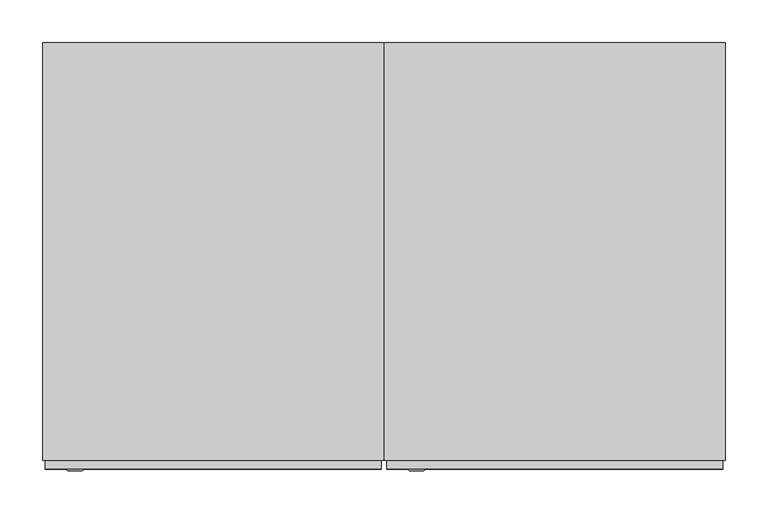
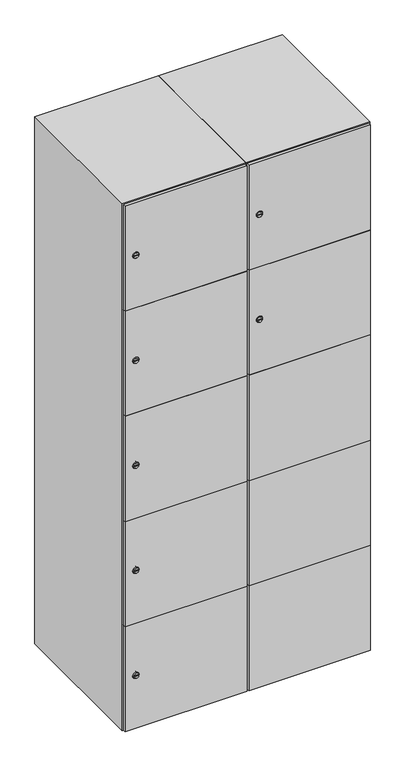
"""IFC4 building model written with IfcOpenShell, lengths in millimetres: furniture geometry."""

from ifc_helpers import new_model, si_unit, point, frame, frame_2d, origin, place, context, project, spatial, polyline, circle_curve, trimmed, segment, composite_curve, outline, extrude, faceted_brep, source, transform, mapped, element, save
from ifc_brep_helpers import plane_surface, revolved_surface, advanced_brep


def furniture_0f34e08c(model_context):
    return source(origin(), model_context, "Body", "SolidModel", [
        advanced_brep(
        [(246.5, -257.2, 1358.8), (229.5, -257.2, 1358.8), (233.0, -257.2, 1357.55), (233.0, -257.2, 1360.05), (243.0, -257.2, 1360.05), (243.0, -257.2, 1357.55), (248.5, -255.0, 1358.8), (227.5, -255.0, 1358.8), (233.0, -255.0, 1360.05), (233.0, -255.0, 1357.55), (243.0, -255.0, 1357.55), (243.0, -255.0, 1360.05)],
        [
            (0, 1, circle_curve(frame((238.0, -257.2, 1358.8), z_axis=(0.0, -1.0, 0.0), x_axis=(1.0, 0.0, 0.0)), 8.5)),
            (1, 0, circle_curve(frame((238.0, -257.2, 1358.8), z_axis=(0.0, -1.0, 0.0), x_axis=(-1.0, 0.0, 0.0)), 8.5)),
            (2, 3),
            (3, 4),
            (4, 5),
            (5, 2),
            (6, 7, circle_curve(frame((238.0, -255.0, 1358.8), z_axis=(0.0, 1.0, 0.0), x_axis=(-1.0, 0.0, 0.0)), 10.5)),
            (7, 6, circle_curve(frame((238.0, -255.0, 1358.8), z_axis=(0.0, 1.0, 0.0), x_axis=(1.0, 0.0, 0.0)), 10.5)),
            (8, 9),
            (9, 10),
            (10, 11),
            (11, 8),
            (0, 6),
            (7, 1),
            (8, 3),
            (2, 9),
            (11, 4),
            (10, 5),
        ],
        [
            plane_surface(frame((238.0, -257.2, 1358.8), z_axis=(0.0, -1.0, 0.0), x_axis=(0.0, 0.0, 1.0))),
            plane_surface(frame((238.0, -255.0, 1358.8), z_axis=(0.0, 1.0, 0.0), x_axis=(0.0, 0.0, 1.0))),
            revolved_surface(polyline([(246.5, -257.2, 1358.8), (248.5, -255.0, 1358.8)]), (238.0, -266.55, 1358.8), (0.0, 1.0, 0.0)),
            revolved_surface(polyline([(229.5, -257.2, 1358.8), (227.5, -255.0, 1358.8)]), (238.0, -266.55, 1358.8), (0.0, 1.0, 0.0)),
            plane_surface(frame((233.0, -255.0, 1357.55), z_axis=(1.0, 0.0, 0.0), x_axis=(0.0, -1.0, 0.0))),
            plane_surface(frame((233.0, -255.0, 1360.05), z_axis=(0.0, 0.0, -1.0), x_axis=(0.0, -1.0, 0.0))),
            plane_surface(frame((243.0, -255.0, 1360.05), z_axis=(-1.0, 0.0, 0.0), x_axis=(0.0, -1.0, 0.0))),
            plane_surface(frame((243.0, -255.0, 1357.55), z_axis=(0.0, 0.0, 1.0), x_axis=(0.0, -1.0, 0.0))),
        ],
        [
            (0, [[1, 2], [3, 4, 5, 6]]),
            (1, [[7, 8], [9, 10, 11, 12]]),
            (2, [[-1, 13, -8, 14]]),
            (3, [[-2, -14, -7, -13]]),
            (4, [[15, -3, 16, -9]]),
            (5, [[-15, -12, 17, -4]]),
            (6, [[-17, -11, 18, -5]]),
            (7, [[-16, -6, -18, -10]]),
        ],
    ),
        extrude(outline(composite_curve([segment(trimmed(circle_curve(frame_2d((1717.6, 211.2010534)), 7.0), [point((1724.6, 211.2010534))], [point((1710.6, 211.2010534))], False, "CARTESIAN"), True, "CONTINUOUS"), segment(polyline([(1710.6, 211.2010534), (1710.6, 239.2010534)]), True, "CONTINUOUS"), segment(trimmed(circle_curve(frame_2d((1717.6, 239.2010534)), 7.0), [point((1710.6, 239.2010534))], [point((1724.6, 239.2010534))], False, "CARTESIAN"), True, "CONTINUOUS"), segment(polyline([(1724.6, 239.2010534), (1724.6, 211.2010534)]), True, "CONTINUOUS")], self_intersect=False)), frame((0.0, -245.0, 0.0), z_axis=(0.0, 1.0, 0.0), x_axis=(0.0, 0.0, 1.0)), (0.0, 0.0, 1.0), 2.0),
        advanced_brep(
        [(246.5, -257.2, 1717.6), (229.5, -257.2, 1717.6), (233.0, -257.2, 1716.35), (233.0, -257.2, 1718.85), (243.0, -257.2, 1718.85), (243.0, -257.2, 1716.35), (248.5, -255.0, 1717.6), (227.5, -255.0, 1717.6), (233.0, -255.0, 1718.85), (233.0, -255.0, 1716.35), (243.0, -255.0, 1716.35), (243.0, -255.0, 1718.85)],
        [
            (0, 1, circle_curve(frame((238.0, -257.2, 1717.6), z_axis=(0.0, -1.0, 0.0), x_axis=(1.0, 0.0, 0.0)), 8.5)),
            (1, 0, circle_curve(frame((238.0, -257.2, 1717.6), z_axis=(0.0, -1.0, 0.0), x_axis=(-1.0, 0.0, 0.0)), 8.5)),
            (2, 3),
            (3, 4),
            (4, 5),
            (5, 2),
            (6, 7, circle_curve(frame((238.0, -255.0, 1717.6), z_axis=(0.0, 1.0, 0.0), x_axis=(-1.0, 0.0, 0.0)), 10.5)),
            (7, 6, circle_curve(frame((238.0, -255.0, 1717.6), z_axis=(0.0, 1.0, 0.0), x_axis=(1.0, 0.0, 0.0)), 10.5)),
            (8, 9),
            (9, 10),
            (10, 11),
            (11, 8),
            (0, 6),
            (7, 1),
            (8, 3),
            (2, 9),
            (11, 4),
            (10, 5),
        ],
        [
            plane_surface(frame((238.0, -257.2, 1717.6), z_axis=(0.0, -1.0, 0.0), x_axis=(0.0, 0.0, 1.0))),
            plane_surface(frame((238.0, -255.0, 1717.6), z_axis=(0.0, 1.0, 0.0), x_axis=(0.0, 0.0, 1.0))),
            revolved_surface(polyline([(246.5, -257.2, 1717.6), (248.5, -255.0, 1717.6)]), (238.0, -266.55, 1717.6), (0.0, 1.0, 0.0)),
            revolved_surface(polyline([(229.5, -257.2, 1717.6), (227.5, -255.0, 1717.6)]), (238.0, -266.55, 1717.6), (0.0, 1.0, 0.0)),
            plane_surface(frame((233.0, -255.0, 1716.35), z_axis=(1.0, 0.0, 0.0), x_axis=(0.0, -1.0, 0.0))),
            plane_surface(frame((233.0, -255.0, 1718.85), z_axis=(0.0, 0.0, -1.0), x_axis=(0.0, -1.0, 0.0))),
            plane_surface(frame((243.0, -255.0, 1718.85), z_axis=(-1.0, 0.0, 0.0), x_axis=(0.0, -1.0, 0.0))),
            plane_surface(frame((243.0, -255.0, 1716.35), z_axis=(0.0, 0.0, 1.0), x_axis=(0.0, -1.0, 0.0))),
        ],
        [
            (0, [[1, 2], [3, 4, 5, 6]]),
            (1, [[7, 8], [9, 10, 11, 12]]),
            (2, [[-1, 13, -8, 14]]),
            (3, [[-2, -14, -7, -13]]),
            (4, [[15, -3, 16, -9]]),
            (5, [[-15, -12, 17, -4]]),
            (6, [[-17, -11, 18, -5]]),
            (7, [[-16, -6, -18, -10]]),
        ],
    ),
        extrude(outline(polyline([(597.0, -245.0), (597.0, -255.0), (203.0, -255.0), (203.0, -245.0), (597.0, -245.0)])), frame((0.0, 0.0, 820.1), z_axis=(0.0, 0.0, 1.0), x_axis=(1.0, 0.0, 0.0)), (0.0, 0.0, 1.0), 359.8),
        extrude(outline(polyline([(597.0, -245.0), (597.0, -255.0), (203.0, -255.0), (203.0, -245.0), (597.0, -245.0)])), frame((0.0, 0.0, 461.3), z_axis=(0.0, 0.0, 1.0), x_axis=(1.0, 0.0, 0.0)), (0.0, 0.0, 1.0), 359.8),
        extrude(outline(polyline([(597.0, -245.0), (597.0, -255.0), (203.0, -255.0), (203.0, -245.0), (597.0, -245.0)])), frame((0.0, 0.0, 1178.9), z_axis=(0.0, 0.0, 1.0), x_axis=(1.0, 0.0, 0.0)), (0.0, 0.0, 1.0), 358.8),
        extrude(outline(polyline([(203.0, -255.0), (203.0, -245.0), (597.0, -245.0), (597.0, -255.0), (203.0, -255.0)])), frame((0.0, 0.0, 1538.7), z_axis=(0.0, 0.0, 1.0), x_axis=(1.0, 0.0, 0.0)), (0.0, 0.0, 1.0), 358.3),
        extrude(outline(polyline([(597.0, -245.0), (597.0, -255.0), (203.0, -255.0), (203.0, -245.0), (597.0, -245.0)])), frame((0.0, 0.0, 103.0), z_axis=(0.0, 0.0, 1.0), x_axis=(1.0, 0.0, 0.0)), (0.0, 0.0, 1.0), 359.3),
        extrude(outline(polyline([(590.0, 241.0), (590.0, -235.0), (210.0, -235.0), (210.0, 241.0), (590.0, 241.0)])), frame((0.0, 0.0, 1529.0), z_axis=(0.0, 0.0, 1.0), x_axis=(1.0, 0.0, 0.0)), (0.0, 0.0, 1.0), 10.0),
        extrude(outline(polyline([(590.0, 241.0), (590.0, -235.0), (210.0, -235.0), (210.0, 241.0), (590.0, 241.0)])), frame((0.0, 0.0, 1173.0), z_axis=(0.0, 0.0, 1.0), x_axis=(1.0, 0.0, 0.0)), (0.0, 0.0, 1.0), 10.0),
        extrude(outline(polyline([(590.0, 241.0), (590.0, -235.0), (210.0, -235.0), (210.0, 241.0), (590.0, 241.0)])), frame((0.0, 0.0, 817.0), z_axis=(0.0, 0.0, 1.0), x_axis=(1.0, 0.0, 0.0)), (0.0, 0.0, 1.0), 10.0),
        extrude(outline(polyline([(210.0, 241.0), (590.0, 241.0), (590.0, -235.0), (210.0, -235.0), (210.0, 241.0)])), frame((0.0, 0.0, 461.0), z_axis=(0.0, 0.0, 1.0), x_axis=(1.0, 0.0, 0.0)), (0.0, 0.0, 1.0), 10.0),
        faceted_brep([(600.0, -245.0, 100.0), (600.0, -245.0, 1900.0), (200.0, -245.0, 1900.0), (200.0, -245.0, 100.0), (590.0, -245.0, 1890.0), (590.0, -245.0, 110.0), (210.0, -245.0, 110.0), (210.0, -245.0, 1890.0), (600.0, 245.0, 100.0), (200.0, 245.0, 100.0), (600.0, 245.0, 1900.0), (200.0, 245.0, 1900.0), (590.0, 241.0, 1890.0), (590.0, 241.0, 110.0), (200.0, 245.0, 1890.0), (210.0, 241.0, 1890.0), (210.0, 241.0, 110.0)], [[[0, 1, 2, 3], [4, 5, 6, 7]], [[8, 0, 3, 9]], [[1, 0, 8, 10]], [[1, 10, 11, 2]], [[4, 12, 13, 5]], [[9, 3, 2, 11, 14]], [[10, 8, 9, 14, 11]], [[12, 15, 16, 13]], [[15, 7, 6, 16]], [[4, 7, 15, 12]], [[6, 5, 13, 16]]]),
        extrude(outline(composite_curve([segment(trimmed(circle_curve(frame_2d((282.4, -188.7989466)), 7.0), [point((289.4, -188.7989466))], [point((275.4, -188.7989466))], False, "CARTESIAN"), True, "CONTINUOUS"), segment(polyline([(275.4, -188.7989466), (275.4, -160.7989466)]), True, "CONTINUOUS"), segment(trimmed(circle_curve(frame_2d((282.4, -160.7989466)), 7.0), [point((275.4, -160.7989466))], [point((289.4, -160.7989466))], False, "CARTESIAN"), True, "CONTINUOUS"), segment(polyline([(289.4, -160.7989466), (289.4, -188.7989466)]), True, "CONTINUOUS")], self_intersect=False)), frame((0.0, -245.0, 0.0), z_axis=(0.0, 1.0, 0.0), x_axis=(0.0, 0.0, 1.0)), (0.0, 0.0, 1.0), 2.0),
        advanced_brep(
        [(-153.5, -257.2, 282.4), (-170.5, -257.2, 282.4), (-167.0, -257.2, 281.15), (-167.0, -257.2, 283.65), (-157.0, -257.2, 283.65), (-157.0, -257.2, 281.15), (-151.5, -255.0, 282.4), (-172.5, -255.0, 282.4), (-167.0, -255.0, 283.65), (-167.0, -255.0, 281.15), (-157.0, -255.0, 281.15), (-157.0, -255.0, 283.65)],
        [
            (0, 1, circle_curve(frame((-162.0, -257.2, 282.4), z_axis=(0.0, -1.0, 0.0), x_axis=(1.0, 0.0, 0.0)), 8.5)),
            (1, 0, circle_curve(frame((-162.0, -257.2, 282.4), z_axis=(0.0, -1.0, 0.0), x_axis=(-1.0, 0.0, 0.0)), 8.5)),
            (2, 3),
            (3, 4),
            (4, 5),
            (5, 2),
            (6, 7, circle_curve(frame((-162.0, -255.0, 282.4), z_axis=(0.0, 1.0, 0.0), x_axis=(-1.0, 0.0, 0.0)), 10.5)),
            (7, 6, circle_curve(frame((-162.0, -255.0, 282.4), z_axis=(0.0, 1.0, 0.0), x_axis=(1.0, 0.0, 0.0)), 10.5)),
            (8, 9),
            (9, 10),
            (10, 11),
            (11, 8),
            (0, 6),
            (7, 1),
            (8, 3),
            (2, 9),
            (11, 4),
            (10, 5),
        ],
        [
            plane_surface(frame((-162.0, -257.2, 282.4), z_axis=(0.0, -1.0, 0.0), x_axis=(0.0, 0.0, 1.0))),
            plane_surface(frame((-162.0, -255.0, 282.4), z_axis=(0.0, 1.0, 0.0), x_axis=(0.0, 0.0, 1.0))),
            revolved_surface(polyline([(-153.5, -257.2, 282.4), (-151.5, -255.0, 282.4)]), (-162.0, -266.55, 282.4), (0.0, 1.0, 0.0)),
            revolved_surface(polyline([(-170.5, -257.2, 282.4), (-172.5, -255.0, 282.4)]), (-162.0, -266.55, 282.4), (0.0, 1.0, 0.0)),
            plane_surface(frame((-167.0, -255.0, 281.15), z_axis=(1.0, 0.0, 0.0), x_axis=(0.0, -1.0, 0.0))),
            plane_surface(frame((-167.0, -255.0, 283.65), z_axis=(0.0, 0.0, -1.0), x_axis=(0.0, -1.0, 0.0))),
            plane_surface(frame((-157.0, -255.0, 283.65), z_axis=(-1.0, 0.0, 0.0), x_axis=(0.0, -1.0, 0.0))),
            plane_surface(frame((-157.0, -255.0, 281.15), z_axis=(0.0, 0.0, 1.0), x_axis=(0.0, -1.0, 0.0))),
        ],
        [
            (0, [[1, 2], [3, 4, 5, 6]]),
            (1, [[7, 8], [9, 10, 11, 12]]),
            (2, [[-1, 13, -8, 14]]),
            (3, [[-2, -14, -7, -13]]),
            (4, [[15, -3, 16, -9]]),
            (5, [[-15, -12, 17, -4]]),
            (6, [[-17, -11, 18, -5]]),
            (7, [[-16, -6, -18, -10]]),
        ],
    ),
        extrude(outline(composite_curve([segment(trimmed(circle_curve(frame_2d((641.2, -188.7989466)), 7.0), [point((648.2, -188.7989466))], [point((634.2, -188.7989466))], False, "CARTESIAN"), True, "CONTINUOUS"), segment(polyline([(634.2, -188.7989466), (634.2, -160.7989466)]), True, "CONTINUOUS"), segment(trimmed(circle_curve(frame_2d((641.2, -160.7989466)), 7.0), [point((634.2, -160.7989466))], [point((648.2, -160.7989466))], False, "CARTESIAN"), True, "CONTINUOUS"), segment(polyline([(648.2, -160.7989466), (648.2, -188.7989466)]), True, "CONTINUOUS")], self_intersect=False)), frame((0.0, -245.0, 0.0), z_axis=(0.0, 1.0, 0.0), x_axis=(0.0, 0.0, 1.0)), (0.0, 0.0, 1.0), 2.0),
        advanced_brep(
        [(-153.5, -257.2, 641.2), (-170.5, -257.2, 641.2), (-167.0, -257.2, 639.95), (-167.0, -257.2, 642.45), (-157.0, -257.2, 642.45), (-157.0, -257.2, 639.95), (-151.5, -255.0, 641.2), (-172.5, -255.0, 641.2), (-167.0, -255.0, 642.45), (-167.0, -255.0, 639.95), (-157.0, -255.0, 639.95), (-157.0, -255.0, 642.45)],
        [
            (0, 1, circle_curve(frame((-162.0, -257.2, 641.2), z_axis=(0.0, -1.0, 0.0), x_axis=(1.0, 0.0, 0.0)), 8.5)),
            (1, 0, circle_curve(frame((-162.0, -257.2, 641.2), z_axis=(0.0, -1.0, 0.0), x_axis=(-1.0, 0.0, 0.0)), 8.5)),
            (2, 3),
            (3, 4),
            (4, 5),
            (5, 2),
            (6, 7, circle_curve(frame((-162.0, -255.0, 641.2), z_axis=(0.0, 1.0, 0.0), x_axis=(-1.0, 0.0, 0.0)), 10.5)),
            (7, 6, circle_curve(frame((-162.0, -255.0, 641.2), z_axis=(0.0, 1.0, 0.0), x_axis=(1.0, 0.0, 0.0)), 10.5)),
            (8, 9),
            (9, 10),
            (10, 11),
            (11, 8),
            (0, 6),
            (7, 1),
            (8, 3),
            (2, 9),
            (11, 4),
            (10, 5),
        ],
        [
            plane_surface(frame((-162.0, -257.2, 641.2), z_axis=(0.0, -1.0, 0.0), x_axis=(0.0, 0.0, 1.0))),
            plane_surface(frame((-162.0, -255.0, 641.2), z_axis=(0.0, 1.0, 0.0), x_axis=(0.0, 0.0, 1.0))),
            revolved_surface(polyline([(-153.5, -257.2, 641.2), (-151.5, -255.0, 641.2)]), (-162.0, -266.55, 641.2), (0.0, 1.0, 0.0)),
            revolved_surface(polyline([(-170.5, -257.2, 641.2), (-172.5, -255.0, 641.2)]), (-162.0, -266.55, 641.2), (0.0, 1.0, 0.0)),
            plane_surface(frame((-167.0, -255.0, 639.95), z_axis=(1.0, 0.0, 0.0), x_axis=(0.0, -1.0, 0.0))),
            plane_surface(frame((-167.0, -255.0, 642.45), z_axis=(0.0, 0.0, -1.0), x_axis=(0.0, -1.0, 0.0))),
            plane_surface(frame((-157.0, -255.0, 642.45), z_axis=(-1.0, 0.0, 0.0), x_axis=(0.0, -1.0, 0.0))),
            plane_surface(frame((-157.0, -255.0, 639.95), z_axis=(0.0, 0.0, 1.0), x_axis=(0.0, -1.0, 0.0))),
        ],
        [
            (0, [[1, 2], [3, 4, 5, 6]]),
            (1, [[7, 8], [9, 10, 11, 12]]),
            (2, [[-1, 13, -8, 14]]),
            (3, [[-2, -14, -7, -13]]),
            (4, [[15, -3, 16, -9]]),
            (5, [[-15, -12, 17, -4]]),
            (6, [[-17, -11, 18, -5]]),
            (7, [[-16, -6, -18, -10]]),
        ],
    ),
        extrude(outline(composite_curve([segment(trimmed(circle_curve(frame_2d((1000.0, -188.7989466)), 7.0), [point((1007.0, -188.7989466))], [point((993.0, -188.7989466))], False, "CARTESIAN"), True, "CONTINUOUS"), segment(polyline([(993.0, -188.7989466), (993.0, -160.7989466)]), True, "CONTINUOUS"), segment(trimmed(circle_curve(frame_2d((1000.0, -160.7989466)), 7.0), [point((993.0, -160.7989466))], [point((1007.0, -160.7989466))], False, "CARTESIAN"), True, "CONTINUOUS"), segment(polyline([(1007.0, -160.7989466), (1007.0, -188.7989466)]), True, "CONTINUOUS")], self_intersect=False)), frame((0.0, -245.0, 0.0), z_axis=(0.0, 1.0, 0.0), x_axis=(0.0, 0.0, 1.0)), (0.0, 0.0, 1.0), 2.0),
        advanced_brep(
        [(-153.5, -257.2, 1000.0), (-170.5, -257.2, 1000.0), (-167.0, -257.2, 998.75), (-167.0, -257.2, 1001.25), (-157.0, -257.2, 1001.25), (-157.0, -257.2, 998.75), (-151.5, -255.0, 1000.0), (-172.5, -255.0, 1000.0), (-167.0, -255.0, 1001.25), (-167.0, -255.0, 998.75), (-157.0, -255.0, 998.75), (-157.0, -255.0, 1001.25)],
        [
            (0, 1, circle_curve(frame((-162.0, -257.2, 1000.0), z_axis=(0.0, -1.0, 0.0), x_axis=(1.0, 0.0, 0.0)), 8.5)),
            (1, 0, circle_curve(frame((-162.0, -257.2, 1000.0), z_axis=(0.0, -1.0, 0.0), x_axis=(-1.0, 0.0, 0.0)), 8.5)),
            (2, 3),
            (3, 4),
            (4, 5),
            (5, 2),
            (6, 7, circle_curve(frame((-162.0, -255.0, 1000.0), z_axis=(0.0, 1.0, 0.0), x_axis=(-1.0, 0.0, 0.0)), 10.5)),
            (7, 6, circle_curve(frame((-162.0, -255.0, 1000.0), z_axis=(0.0, 1.0, 0.0), x_axis=(1.0, 0.0, 0.0)), 10.5)),
            (8, 9),
            (9, 10),
            (10, 11),
            (11, 8),
            (0, 6),
            (7, 1),
            (8, 3),
            (2, 9),
            (11, 4),
            (10, 5),
        ],
        [
            plane_surface(frame((-162.0, -257.2, 1000.0), z_axis=(0.0, -1.0, 0.0), x_axis=(0.0, 0.0, 1.0))),
            plane_surface(frame((-162.0, -255.0, 1000.0), z_axis=(0.0, 1.0, 0.0), x_axis=(0.0, 0.0, 1.0))),
            revolved_surface(polyline([(-153.5, -257.2, 1000.0), (-151.5, -255.0, 1000.0)]), (-162.0, -266.55, 1000.0), (0.0, 1.0, 0.0)),
            revolved_surface(polyline([(-170.5, -257.2, 1000.0), (-172.5, -255.0, 1000.0)]), (-162.0, -266.55, 1000.0), (0.0, 1.0, 0.0)),
            plane_surface(frame((-167.0, -255.0, 998.75), z_axis=(1.0, 0.0, 0.0), x_axis=(0.0, -1.0, 0.0))),
            plane_surface(frame((-167.0, -255.0, 1001.25), z_axis=(0.0, 0.0, -1.0), x_axis=(0.0, -1.0, 0.0))),
            plane_surface(frame((-157.0, -255.0, 1001.25), z_axis=(-1.0, 0.0, 0.0), x_axis=(0.0, -1.0, 0.0))),
            plane_surface(frame((-157.0, -255.0, 998.75), z_axis=(0.0, 0.0, 1.0), x_axis=(0.0, -1.0, 0.0))),
        ],
        [
            (0, [[1, 2], [3, 4, 5, 6]]),
            (1, [[7, 8], [9, 10, 11, 12]]),
            (2, [[-1, 13, -8, 14]]),
            (3, [[-2, -14, -7, -13]]),
            (4, [[15, -3, 16, -9]]),
            (5, [[-15, -12, 17, -4]]),
            (6, [[-17, -11, 18, -5]]),
            (7, [[-16, -6, -18, -10]]),
        ],
    ),
        extrude(outline(composite_curve([segment(trimmed(circle_curve(frame_2d((1358.8, -188.7989466)), 7.0), [point((1365.8, -188.7989466))], [point((1351.8, -188.7989466))], False, "CARTESIAN"), True, "CONTINUOUS"), segment(polyline([(1351.8, -188.7989466), (1351.8, -160.7989466)]), True, "CONTINUOUS"), segment(trimmed(circle_curve(frame_2d((1358.8, -160.7989466)), 7.0), [point((1351.8, -160.7989466))], [point((1365.8, -160.7989466))], False, "CARTESIAN"), True, "CONTINUOUS"), segment(polyline([(1365.8, -160.7989466), (1365.8, -188.7989466)]), True, "CONTINUOUS")], self_intersect=False)), frame((0.0, -245.0, 0.0), z_axis=(0.0, 1.0, 0.0), x_axis=(0.0, 0.0, 1.0)), (0.0, 0.0, 1.0), 2.0),
        advanced_brep(
        [(-153.5, -257.2, 1358.8), (-170.5, -257.2, 1358.8), (-167.0, -257.2, 1357.55), (-167.0, -257.2, 1360.05), (-157.0, -257.2, 1360.05), (-157.0, -257.2, 1357.55), (-151.5, -255.0, 1358.8), (-172.5, -255.0, 1358.8), (-167.0, -255.0, 1360.05), (-167.0, -255.0, 1357.55), (-157.0, -255.0, 1357.55), (-157.0, -255.0, 1360.05)],
        [
            (0, 1, circle_curve(frame((-162.0, -257.2, 1358.8), z_axis=(0.0, -1.0, 0.0), x_axis=(1.0, 0.0, 0.0)), 8.5)),
            (1, 0, circle_curve(frame((-162.0, -257.2, 1358.8), z_axis=(0.0, -1.0, 0.0), x_axis=(-1.0, 0.0, 0.0)), 8.5)),
            (2, 3),
            (3, 4),
            (4, 5),
            (5, 2),
            (6, 7, circle_curve(frame((-162.0, -255.0, 1358.8), z_axis=(0.0, 1.0, 0.0), x_axis=(-1.0, 0.0, 0.0)), 10.5)),
            (7, 6, circle_curve(frame((-162.0, -255.0, 1358.8), z_axis=(0.0, 1.0, 0.0), x_axis=(1.0, 0.0, 0.0)), 10.5)),
            (8, 9),
            (9, 10),
            (10, 11),
            (11, 8),
            (0, 6),
            (7, 1),
            (8, 3),
            (2, 9),
            (11, 4),
            (10, 5),
        ],
        [
            plane_surface(frame((-162.0, -257.2, 1358.8), z_axis=(0.0, -1.0, 0.0), x_axis=(0.0, 0.0, 1.0))),
            plane_surface(frame((-162.0, -255.0, 1358.8), z_axis=(0.0, 1.0, 0.0), x_axis=(0.0, 0.0, 1.0))),
            revolved_surface(polyline([(-153.5, -257.2, 1358.8), (-151.5, -255.0, 1358.8)]), (-162.0, -266.55, 1358.8), (0.0, 1.0, 0.0)),
            revolved_surface(polyline([(-170.5, -257.2, 1358.8), (-172.5, -255.0, 1358.8)]), (-162.0, -266.55, 1358.8), (0.0, 1.0, 0.0)),
            plane_surface(frame((-167.0, -255.0, 1357.55), z_axis=(1.0, 0.0, 0.0), x_axis=(0.0, -1.0, 0.0))),
            plane_surface(frame((-167.0, -255.0, 1360.05), z_axis=(0.0, 0.0, -1.0), x_axis=(0.0, -1.0, 0.0))),
            plane_surface(frame((-157.0, -255.0, 1360.05), z_axis=(-1.0, 0.0, 0.0), x_axis=(0.0, -1.0, 0.0))),
            plane_surface(frame((-157.0, -255.0, 1357.55), z_axis=(0.0, 0.0, 1.0), x_axis=(0.0, -1.0, 0.0))),
        ],
        [
            (0, [[1, 2], [3, 4, 5, 6]]),
            (1, [[7, 8], [9, 10, 11, 12]]),
            (2, [[-1, 13, -8, 14]]),
            (3, [[-2, -14, -7, -13]]),
            (4, [[15, -3, 16, -9]]),
            (5, [[-15, -12, 17, -4]]),
            (6, [[-17, -11, 18, -5]]),
            (7, [[-16, -6, -18, -10]]),
        ],
    ),
        extrude(outline(composite_curve([segment(trimmed(circle_curve(frame_2d((1717.6, -188.7989466)), 7.0), [point((1724.6, -188.7989466))], [point((1710.6, -188.7989466))], False, "CARTESIAN"), True, "CONTINUOUS"), segment(polyline([(1710.6, -188.7989466), (1710.6, -160.7989466)]), True, "CONTINUOUS"), segment(trimmed(circle_curve(frame_2d((1717.6, -160.7989466)), 7.0), [point((1710.6, -160.7989466))], [point((1724.6, -160.7989466))], False, "CARTESIAN"), True, "CONTINUOUS"), segment(polyline([(1724.6, -160.7989466), (1724.6, -188.7989466)]), True, "CONTINUOUS")], self_intersect=False)), frame((0.0, -245.0, 0.0), z_axis=(0.0, 1.0, 0.0), x_axis=(0.0, 0.0, 1.0)), (0.0, 0.0, 1.0), 2.0),
        advanced_brep(
        [(-153.5, -257.2, 1717.6), (-170.5, -257.2, 1717.6), (-167.0, -257.2, 1716.35), (-167.0, -257.2, 1718.85), (-157.0, -257.2, 1718.85), (-157.0, -257.2, 1716.35), (-151.5, -255.0, 1717.6), (-172.5, -255.0, 1717.6), (-167.0, -255.0, 1718.85), (-167.0, -255.0, 1716.35), (-157.0, -255.0, 1716.35), (-157.0, -255.0, 1718.85)],
        [
            (0, 1, circle_curve(frame((-162.0, -257.2, 1717.6), z_axis=(0.0, -1.0, 0.0), x_axis=(1.0, 0.0, 0.0)), 8.5)),
            (1, 0, circle_curve(frame((-162.0, -257.2, 1717.6), z_axis=(0.0, -1.0, 0.0), x_axis=(-1.0, 0.0, 0.0)), 8.5)),
            (2, 3),
            (3, 4),
            (4, 5),
            (5, 2),
            (6, 7, circle_curve(frame((-162.0, -255.0, 1717.6), z_axis=(0.0, 1.0, 0.0), x_axis=(-1.0, 0.0, 0.0)), 10.5)),
            (7, 6, circle_curve(frame((-162.0, -255.0, 1717.6), z_axis=(0.0, 1.0, 0.0), x_axis=(1.0, 0.0, 0.0)), 10.5)),
            (8, 9),
            (9, 10),
            (10, 11),
            (11, 8),
            (0, 6),
            (7, 1),
            (8, 3),
            (2, 9),
            (11, 4),
            (10, 5),
        ],
        [
            plane_surface(frame((-162.0, -257.2, 1717.6), z_axis=(0.0, -1.0, 0.0), x_axis=(0.0, 0.0, 1.0))),
            plane_surface(frame((-162.0, -255.0, 1717.6), z_axis=(0.0, 1.0, 0.0), x_axis=(0.0, 0.0, 1.0))),
            revolved_surface(polyline([(-153.5, -257.2, 1717.6), (-151.5, -255.0, 1717.6)]), (-162.0, -266.55, 1717.6), (0.0, 1.0, 0.0)),
            revolved_surface(polyline([(-170.5, -257.2, 1717.6), (-172.5, -255.0, 1717.6)]), (-162.0, -266.55, 1717.6), (0.0, 1.0, 0.0)),
            plane_surface(frame((-167.0, -255.0, 1716.35), z_axis=(1.0, 0.0, 0.0), x_axis=(0.0, -1.0, 0.0))),
            plane_surface(frame((-167.0, -255.0, 1718.85), z_axis=(0.0, 0.0, -1.0), x_axis=(0.0, -1.0, 0.0))),
            plane_surface(frame((-157.0, -255.0, 1718.85), z_axis=(-1.0, 0.0, 0.0), x_axis=(0.0, -1.0, 0.0))),
            plane_surface(frame((-157.0, -255.0, 1716.35), z_axis=(0.0, 0.0, 1.0), x_axis=(0.0, -1.0, 0.0))),
        ],
        [
            (0, [[1, 2], [3, 4, 5, 6]]),
            (1, [[7, 8], [9, 10, 11, 12]]),
            (2, [[-1, 13, -8, 14]]),
            (3, [[-2, -14, -7, -13]]),
            (4, [[15, -3, 16, -9]]),
            (5, [[-15, -12, 17, -4]]),
            (6, [[-17, -11, 18, -5]]),
            (7, [[-16, -6, -18, -10]]),
        ],
    ),
        extrude(outline(polyline([(197.0, -245.0), (197.0, -255.0), (-197.0, -255.0), (-197.0, -245.0), (197.0, -245.0)])), frame((0.0, 0.0, 820.1), z_axis=(0.0, 0.0, 1.0), x_axis=(1.0, 0.0, 0.0)), (0.0, 0.0, 1.0), 359.8),
        extrude(outline(polyline([(197.0, -245.0), (197.0, -255.0), (-197.0, -255.0), (-197.0, -245.0), (197.0, -245.0)])), frame((0.0, 0.0, 461.3), z_axis=(0.0, 0.0, 1.0), x_axis=(1.0, 0.0, 0.0)), (0.0, 0.0, 1.0), 359.8),
        extrude(outline(polyline([(197.0, -245.0), (197.0, -255.0), (-197.0, -255.0), (-197.0, -245.0), (197.0, -245.0)])), frame((0.0, 0.0, 1178.9), z_axis=(0.0, 0.0, 1.0), x_axis=(1.0, 0.0, 0.0)), (0.0, 0.0, 1.0), 358.8),
        extrude(outline(polyline([(-197.0, -255.0), (-197.0, -245.0), (197.0, -245.0), (197.0, -255.0), (-197.0, -255.0)])), frame((0.0, 0.0, 1538.7), z_axis=(0.0, 0.0, 1.0), x_axis=(1.0, 0.0, 0.0)), (0.0, 0.0, 1.0), 358.3),
        extrude(outline(polyline([(197.0, -245.0), (197.0, -255.0), (-197.0, -255.0), (-197.0, -245.0), (197.0, -245.0)])), frame((0.0, 0.0, 103.0), z_axis=(0.0, 0.0, 1.0), x_axis=(1.0, 0.0, 0.0)), (0.0, 0.0, 1.0), 359.3),
        extrude(outline(polyline([(190.0, 241.0), (190.0, -235.0), (-190.0, -235.0), (-190.0, 241.0), (190.0, 241.0)])), frame((0.0, 0.0, 1529.0), z_axis=(0.0, 0.0, 1.0), x_axis=(1.0, 0.0, 0.0)), (0.0, 0.0, 1.0), 10.0),
        extrude(outline(polyline([(190.0, 241.0), (190.0, -235.0), (-190.0, -235.0), (-190.0, 241.0), (190.0, 241.0)])), frame((0.0, 0.0, 1173.0), z_axis=(0.0, 0.0, 1.0), x_axis=(1.0, 0.0, 0.0)), (0.0, 0.0, 1.0), 10.0),
        extrude(outline(polyline([(190.0, 241.0), (190.0, -235.0), (-190.0, -235.0), (-190.0, 241.0), (190.0, 241.0)])), frame((0.0, 0.0, 817.0), z_axis=(0.0, 0.0, 1.0), x_axis=(1.0, 0.0, 0.0)), (0.0, 0.0, 1.0), 10.0),
        extrude(outline(polyline([(-190.0, 241.0), (190.0, 241.0), (190.0, -235.0), (-190.0, -235.0), (-190.0, 241.0)])), frame((0.0, 0.0, 461.0), z_axis=(0.0, 0.0, 1.0), x_axis=(1.0, 0.0, 0.0)), (0.0, 0.0, 1.0), 10.0),
        faceted_brep([(200.0, -245.0, 100.0), (200.0, -245.0, 1900.0), (-200.0, -245.0, 1900.0), (-200.0, -245.0, 100.0), (190.0, -245.0, 1890.0), (190.0, -245.0, 110.0), (-190.0, -245.0, 110.0), (-190.0, -245.0, 1890.0), (200.0, 245.0, 100.0), (-200.0, 245.0, 100.0), (200.0, 245.0, 1900.0), (-200.0, 245.0, 1900.0), (190.0, 241.0, 1890.0), (190.0, 241.0, 110.0), (-200.0, 245.0, 1890.0), (-190.0, 241.0, 1890.0), (-190.0, 241.0, 110.0)], [[[0, 1, 2, 3], [4, 5, 6, 7]], [[8, 0, 3, 9]], [[1, 0, 8, 10]], [[1, 10, 11, 2]], [[4, 12, 13, 5]], [[9, 3, 2, 11, 14]], [[10, 8, 9, 14, 11]], [[12, 15, 16, 13]], [[15, 7, 6, 16]], [[4, 7, 15, 12]], [[6, 5, 13, 16]]]),
    ])


if __name__ == "__main__":
    model = new_model("IFC4")
    model_context = context("Model", 3, world=origin())
    ifc_project = project(units=[si_unit("LENGTHUNIT", "METRE", prefix="MILLI")], contexts=[model_context])
    site = spatial("IfcSite", under=ifc_project)
    building = spatial("IfcBuilding", under=site)
    placement = place(None, origin())
    furniture_shape = furniture_0f34e08c(model_context)
    element("IfcFurniture", 1, at=placement, inside=building, context=model_context, shape_type="MappedRepresentation", body=[
        mapped(furniture_shape, transform((0.0, 0.0, 0.0), x_axis=(1.0, 0.0, 0.0), y_axis=(0.0, 1.0, 0.0), z_axis=(0.0, 0.0, 1.0))),
    ])
    save(model, "model.ifc")
